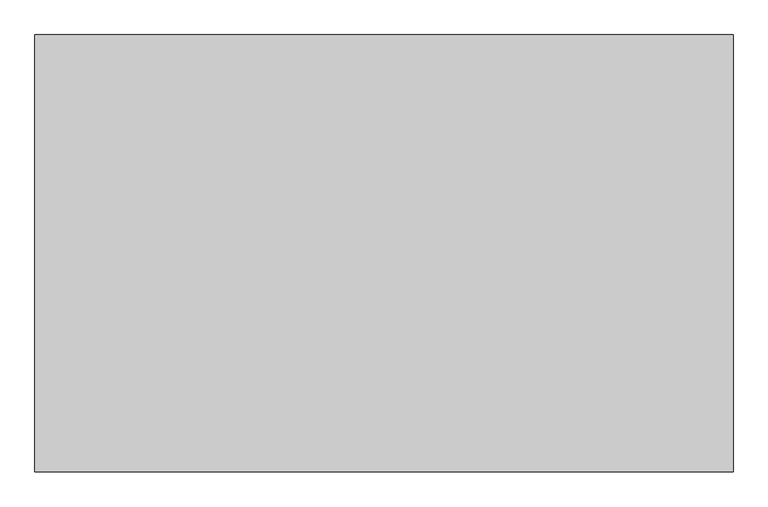
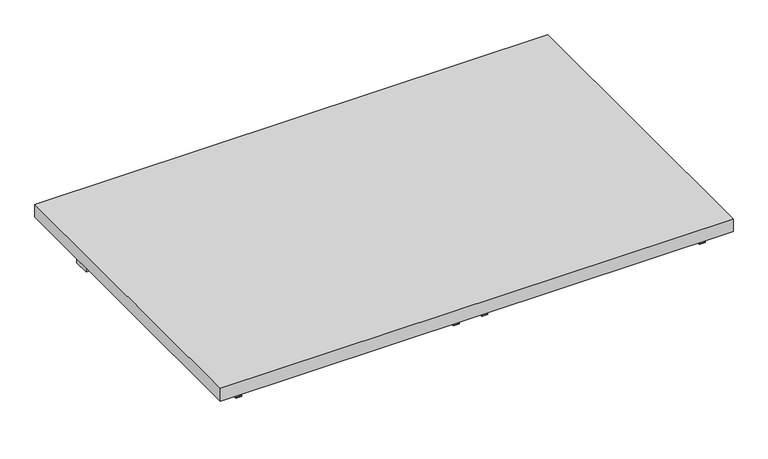
"""IFC4 building model written with IfcOpenShell, lengths in millimetres: furniture geometry."""

from ifc_helpers import new_model, si_unit, frame, origin, place, context, project, spatial, polyline, outline, extrude, source, transform, mapped, element, save


def furniture_fdb35b05(model_context):
    return source(origin(), model_context, "Body", "SweptSolid", [
        extrude(outline(polyline([(912.8125, 254.0), (912.8125, -508.0), (-303.2125, -508.0), (-303.2125, 254.0), (912.8125, 254.0)])), frame((0.0, 0.0, 781.05), z_axis=(0.0, 0.0, 1.0), x_axis=(1.0, 0.0, 0.0)), (0.0, 0.0, 1.0), 31.75),
        extrude(outline(polyline([(879.475, 139.7), (879.475, 101.6), (-269.875, 101.6), (-269.875, 139.7), (879.475, 139.7)])), frame((0.0, 0.0, 723.9), z_axis=(0.0, 0.0, 1.0), x_axis=(1.0, 0.0, 0.0)), (0.0, 0.0, 1.0), 57.15),
        extrude(outline(polyline([(757.2375, 333.375), (781.05, 333.375), (781.05, 331.7875), (755.65, 331.7875), (755.65, 346.075), (757.2375, 346.075), (757.2375, 333.375)])), frame((0.0, -482.6, 0.0), z_axis=(0.0, 1.0, 0.0), x_axis=(0.0, 0.0, 1.0)), (0.0, 0.0, 1.0), 390.525),
        extrude(outline(polyline([(757.2375, 276.225), (757.2375, 263.525), (755.65, 263.525), (755.65, 277.8125), (781.05, 277.8125), (781.05, 276.225), (757.2375, 276.225)])), frame((0.0, -482.6, 0.0), z_axis=(0.0, 1.0, 0.0), x_axis=(0.0, 0.0, 1.0)), (0.0, 0.0, 1.0), 390.525),
        extrude(outline(polyline([(757.2375, -250.825), (781.05, -250.825), (781.05, -252.4125), (755.65, -252.4125), (755.65, -238.125), (757.2375, -238.125), (757.2375, -250.825)])), frame((0.0, -482.6, 0.0), z_axis=(0.0, 1.0, 0.0), x_axis=(0.0, 0.0, 1.0)), (0.0, 0.0, 1.0), 390.525),
        extrude(outline(polyline([(757.2375, 860.425), (757.2375, 847.725), (755.65, 847.725), (755.65, 862.0125), (781.05, 862.0125), (781.05, 860.425), (757.2375, 860.425)])), frame((0.0, -482.6, 0.0), z_axis=(0.0, 1.0, 0.0), x_axis=(0.0, 0.0, 1.0)), (0.0, 0.0, 1.0), 390.525),
    ])


if __name__ == "__main__":
    model = new_model("IFC4")
    model_context = context("Model", 3, world=origin())
    ifc_project = project(units=[si_unit("LENGTHUNIT", "METRE", prefix="MILLI")], contexts=[model_context])
    site = spatial("IfcSite", under=ifc_project)
    building = spatial("IfcBuilding", under=site)
    placement = place(None, origin())
    furniture_shape = furniture_fdb35b05(model_context)
    element("IfcFurniture", 1, at=placement, inside=building, context=model_context, shape_type="MappedRepresentation", body=[
        mapped(furniture_shape, transform((0.0, 0.0, 0.0), x_axis=(1.0, 0.0, 0.0), y_axis=(0.0, 1.0, 0.0), z_axis=(0.0, 0.0, 1.0))),
    ])
    save(model, "model.ifc")
